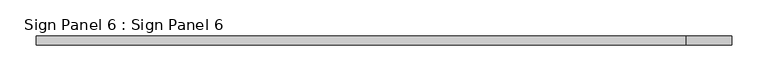
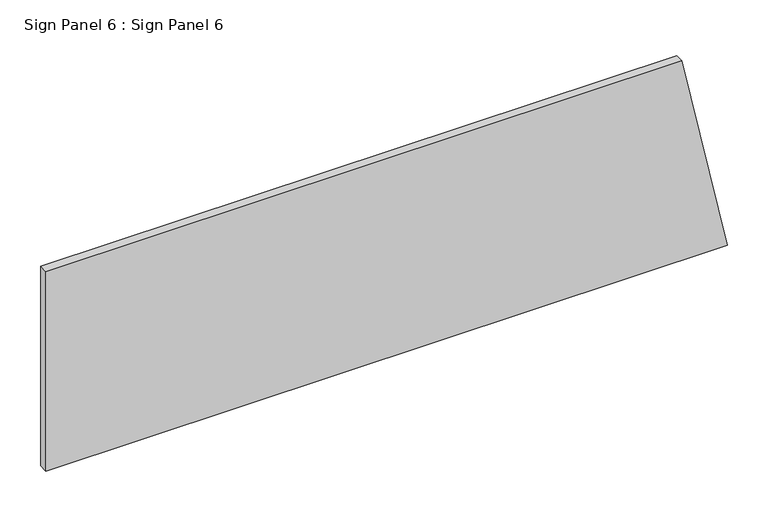
"""IFC4 building model written with IfcOpenShell, lengths in millimetres: geographic element geometry, Sign Panel 6 : Sign Panel 6."""

import ifcopenshell
import ifcopenshell.guid

model = None  # the IFC model being written
_history = None  # IfcOwnerHistory: only IFC2X3 demands one
_inside = {}  # id of a spatial element -> (the spatial element, [elements in it])
_under = {}  # id of a project, library or spatial element -> (it, [spatial elements below it])
_declared = {}  # id of a project -> (the project, [libraries it declares])
_typed = {}  # id of a type object -> (the type object, [elements of that type])
_made_of = {}  # id of a material, layer set ... -> (it, [elements and type objects made of it])


def new_model(schema):
    """Start an empty IFC model of exactly this schema.

    Asked for "IFC4X3", IfcOpenShell would pick the latest addendum, in which some entities
    have other attributes; the version numbers below select the first issue.
    IFC2X3 requires an IfcOwnerHistory on every rooted entity: one is made here for all.
    """
    global model, _history
    if schema == "IFC4X3":
        model = ifcopenshell.file(schema_version=(4, 3, 0, 0))
    else:
        model = ifcopenshell.file(schema=schema)
    _inside.clear()
    _under.clear()
    _declared.clear()
    _typed.clear()
    _made_of.clear()
    _history = None
    if model.schema == "IFC2X3":
        org = make("IfcOrganization", Name="unknown")
        user = make(
            "IfcPersonAndOrganization",
            ThePerson=make("IfcPerson", FamilyName="unknown"),
            TheOrganization=org,
        )
        app = make(
            "IfcApplication",
            ApplicationDeveloper=org,
            Version="unknown",
            ApplicationFullName="unknown",
            ApplicationIdentifier="unknown",
        )
        _history = make(
            "IfcOwnerHistory",
            OwningUser=user,
            OwningApplication=app,
            ChangeAction="ADDED",
            CreationDate=0,
        )
    return model


def make(cls, **values):
    """One entity of the class cls with the attributes given. An attribute that is None is left unset."""
    return model.create_entity(
        cls, **{name: value for name, value in values.items() if value is not None}
    )


def rooted(cls, **values):
    """An entity with a GlobalId (a new one), such as an element, a storey or a relation."""
    return make(cls, GlobalId=ifcopenshell.guid.new(), OwnerHistory=_history, **values)


def si_unit(unit_type, name, prefix=None):
    """IfcSIUnit, for example si_unit("LENGTHUNIT", "METRE", prefix="MILLI")."""
    return make("IfcSIUnit", UnitType=unit_type, Prefix=prefix, Name=name)


def assignment(units):
    """IfcUnitAssignment: the units of a project."""
    return None if units is None else make("IfcUnitAssignment", Units=units)


def point(xyz):
    """IfcCartesianPoint."""
    return None if xyz is None else make("IfcCartesianPoint", Coordinates=xyz)


def direction(xyz):
    """IfcDirection."""
    return None if xyz is None else make("IfcDirection", DirectionRatios=xyz)


def frame(location, z_axis=None, x_axis=None):
    """IfcAxis2Placement3D, a coordinate frame: its origin and axes. An axis left out is left unset."""
    return make(
        "IfcAxis2Placement3D",
        Location=point(location),
        Axis=direction(z_axis),
        RefDirection=direction(x_axis),
    )


def frame_2d(location, x_axis=None):
    """IfcAxis2Placement2D, a coordinate frame in the plane: its origin and x axis."""
    return make(
        "IfcAxis2Placement2D", Location=point(location), RefDirection=direction(x_axis)
    )


def origin():
    """The frame at (0, 0, 0) with its axes left unset."""
    return frame((0.0, 0.0, 0.0))


def place(relative_to, where):
    """IfcLocalPlacement: puts the frame where relative to a parent placement (None: the world)."""
    return make(
        "IfcLocalPlacement", PlacementRelTo=relative_to, RelativePlacement=where
    )


def context(
    kind, dimensions, precision=None, world=None, true_north=None, identifier=None
):
    """IfcGeometricRepresentationContext, for example the 3D "Model" context."""
    return make(
        "IfcGeometricRepresentationContext",
        ContextIdentifier=identifier,
        ContextType=kind,
        CoordinateSpaceDimension=dimensions,
        Precision=precision,
        WorldCoordinateSystem=world,
        TrueNorth=true_north,
    )


def project(units=None, contexts=None):
    """IfcProject with its units and contexts."""
    return rooted(
        "IfcProject",
        Name="project",
        RepresentationContexts=contexts,
        UnitsInContext=assignment(units),
    )


def spatial(cls, under=None, at=None, **own):
    """A site, building, storey or space (cls), placed at a placement, below another one or the project."""
    s = rooted(cls, ObjectPlacement=at, **own)
    if under is not None:
        _under.setdefault(under.id(), (under, []))[1].append(s)
    return s


def polyline(points):
    """IfcPolyline through the points."""
    return make("IfcPolyline", Points=[point(p) for p in points])


def circle_curve(where, radius):
    """IfcCircle in the frame where."""
    return make("IfcCircle", Position=where, Radius=radius)


def trimmed(basis, trim1, trim2, sense, master):
    """IfcTrimmedCurve: the piece of a basis curve between two trims."""
    return make(
        "IfcTrimmedCurve",
        BasisCurve=basis,
        Trim1=trim1,
        Trim2=trim2,
        SenseAgreement=sense,
        MasterRepresentation=master,
    )


def segment(curve, same_sense, transition):
    """IfcCompositeCurveSegment."""
    return make(
        "IfcCompositeCurveSegment",
        Transition=transition,
        SameSense=same_sense,
        ParentCurve=curve,
    )


def composite_curve(segments, self_intersect=None):
    """IfcCompositeCurve: segments joined end to end."""
    return make("IfcCompositeCurve", Segments=segments, SelfIntersect=self_intersect)


def outline(outer, holes=None, kind="AREA"):
    """IfcArbitraryClosedProfileDef: a profile drawn as a closed curve; with holes, ...WithVoids."""
    if holes is None:
        return make("IfcArbitraryClosedProfileDef", ProfileType=kind, OuterCurve=outer)
    return make(
        "IfcArbitraryProfileDefWithVoids",
        ProfileType=kind,
        OuterCurve=outer,
        InnerCurves=holes,
    )


def extrude(swept, where, along, depth):
    """IfcExtrudedAreaSolid: the profile swept, set in the frame where, extruded along a direction by depth."""
    return make(
        "IfcExtrudedAreaSolid",
        SweptArea=swept,
        Position=where,
        ExtrudedDirection=direction(along),
        Depth=depth,
    )


def shape(context_of_items, identifier, shape_type, items):
    """IfcShapeRepresentation: the items that make up one representation, for example the "Body"."""
    return make(
        "IfcShapeRepresentation",
        ContextOfItems=context_of_items,
        RepresentationIdentifier=identifier,
        RepresentationType=shape_type,
        Items=items,
    )


def source(mapping_origin, context_of_items, identifier, shape_type, items):
    """IfcRepresentationMap: a shape defined once, which mapped items show again and again."""
    return make(
        "IfcRepresentationMap",
        MappingOrigin=mapping_origin,
        MappedRepresentation=shape(context_of_items, identifier, shape_type, items),
    )


def transform(
    local_origin,
    x_axis=None,
    y_axis=None,
    z_axis=None,
    scale=None,
    scale2=None,
    scale3=None,
    uniform=True,
):
    """IfcCartesianTransformationOperator3D, or its non-uniform kind. x_axis, y_axis, z_axis: its Axis1, 2, 3."""
    if uniform:
        return make(
            "IfcCartesianTransformationOperator3D",
            Axis1=direction(x_axis),
            Axis2=direction(y_axis),
            LocalOrigin=point(local_origin),
            Scale=scale,
            Axis3=direction(z_axis),
        )
    return make(
        "IfcCartesianTransformationOperator3DnonUniform",
        Axis1=direction(x_axis),
        Axis2=direction(y_axis),
        LocalOrigin=point(local_origin),
        Scale=scale,
        Axis3=direction(z_axis),
        Scale2=scale2,
        Scale3=scale3,
    )


def mapped(mapping_source, mapping_target):
    """IfcMappedItem: shows the shape of a source again, moved by a transform."""
    return make(
        "IfcMappedItem", MappingSource=mapping_source, MappingTarget=mapping_target
    )


def made_of(thing, what):
    """Note that an element or type object is made of a material, layer set ...; save() writes the relation."""
    if what is not None:
        _made_of.setdefault(what.id(), (what, []))[1].append(thing)
    return thing


def element(
    cls,
    number,
    at=None,
    inside=None,
    cuts=None,
    type_object=None,
    material=None,
    context=None,
    identifier="Body",
    shape_type=None,
    held_by="IfcProductDefinitionShape",
    body=None,
    shapes=None,
    **own,
):
    """One element of the class cls, such as IfcWall. Its Tag is "e" and its number.

    at: its placement. inside: the storey or other place that contains it. cuts: it is an
    opening in that element (IfcRelVoidsElement). A single representation is given by context,
    identifier, shape_type and body (its items); several are given by shapes. held_by: the class
    of the entity that holds the representations. save() writes the other relations.
    """
    e = rooted(cls, Tag="e%d" % number, ObjectPlacement=at, **own)
    if body is not None:
        shapes = [shape(context, identifier, shape_type, body)]
    if shapes is not None:
        e.Representation = make(held_by, Representations=shapes)
    if inside is not None:
        _inside.setdefault(inside.id(), (inside, []))[1].append(e)
    if cuts is not None:
        rooted(
            "IfcRelVoidsElement", RelatingBuildingElement=cuts, RelatedOpeningElement=e
        )
    if type_object is not None:
        _typed.setdefault(type_object.id(), (type_object, []))[1].append(e)
    return made_of(e, material)


def aggregate(whole, parts):
    """IfcRelAggregates: a whole, such as a stair, and the parts it consists of."""
    return rooted("IfcRelAggregates", RelatingObject=whole, RelatedObjects=parts)


def save(model, path):
    """Write the relations noted so far, then the file.

    IfcRelAggregates (storeys below a building ...), IfcRelContainedInSpatialStructure (elements
    in a storey), IfcRelDefinesByType, IfcRelAssociatesMaterial and IfcRelDeclares: one each for
    every whole, place, type object, material and project.
    """
    for whole, parts in _under.values():
        aggregate(whole, parts)
    for where, things in _inside.values():
        rooted(
            "IfcRelContainedInSpatialStructure",
            RelatedElements=things,
            RelatingStructure=where,
        )
    for kind, things in _typed.values():
        rooted("IfcRelDefinesByType", RelatedObjects=things, RelatingType=kind)
    for what, things in _made_of.values():
        rooted("IfcRelAssociatesMaterial", RelatedObjects=things, RelatingMaterial=what)
    for by, libraries in _declared.values():
        rooted("IfcRelDeclares", RelatingContext=by, RelatedDefinitions=libraries)
    model.write(path)


def sign_panel_6_sign_panel_6_b31bf4bc(model_context):
    return source(origin(), model_context, "Body", "SweptSolid", [
        extrude(outline(composite_curve([segment(polyline([(2582.1592564, 229153.2228488), (2582.1592564, 230117.2304164)]), True, "CONTINUOUS"), segment(trimmed(circle_curve(frame_2d((1721.9640535, 225386.0853488)), 4808.7076682), [point((2582.1592564, 230117.2304164))], [point((2880.6092564, 230053.1198175))], False, "CARTESIAN"), True, "CONTINUOUS"), segment(polyline([(2880.6092564, 230053.1198175), (2880.6092564, 229153.2228488), (2582.1592564, 229153.2228488)]), True, "CONTINUOUS")], self_intersect=False)), frame((0.0, 158611.0596581, 0.0), z_axis=(0.0, 1.0, 0.0), x_axis=(0.0, 0.0, 1.0)), (0.0, 0.0, 1.0), 12.7),
    ])


if __name__ == "__main__":
    model = new_model("IFC4")
    model_context = context("Model", 3, world=origin())
    ifc_project = project(units=[si_unit("LENGTHUNIT", "METRE", prefix="MILLI")], contexts=[model_context])
    site = spatial("IfcSite", under=ifc_project)
    building = spatial("IfcBuilding", under=site)
    placement = place(None, origin())
    sign_panel_6_sign_panel_6_shape = sign_panel_6_sign_panel_6_b31bf4bc(model_context)
    element("IfcGeographicElement", 1, ObjectType="Sign Panel 6 : Sign Panel 6", at=placement, inside=building, context=model_context, shape_type="MappedRepresentation", body=[
        mapped(sign_panel_6_sign_panel_6_shape, transform((0.0, 0.0, 0.0), x_axis=(1.0, 0.0, 0.0), y_axis=(0.0, 1.0, 0.0), z_axis=(0.0, 0.0, 1.0))),
    ])
    save(model, "model.ifc")
